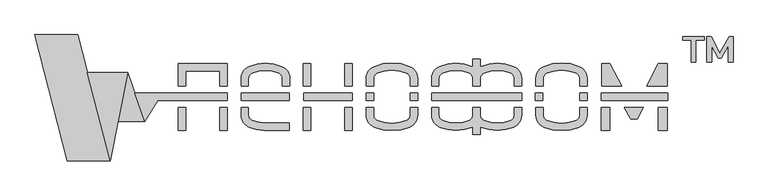
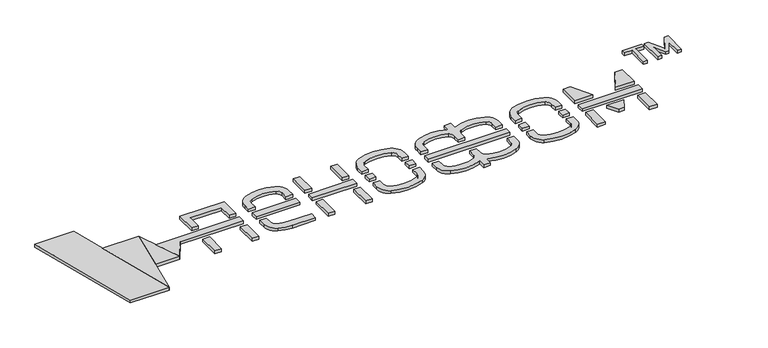
"""IFC4 building model written with IfcOpenShell, lengths in millimetres: proxy geometry."""

from ifc_helpers import new_model, si_unit, point, frame_2d, origin, origin_with_axes, place, context, project, spatial, polyline, circle_curve, trimmed, segment, composite_curve, outline, extrude, source, transform, mapped, element, save


def entourage_9eb286ca(model_context):
    return source(origin(), model_context, "Body", "SweptSolid", [
        extrude(outline(polyline([(-73026.0051729, -5303.3291284), (-72423.7090448, -5303.3291284), (-72685.3033262, -6627.0334954), (-73026.0051729, -5303.3291284)])), origin_with_axes(), (0.0, 0.0, 1.0), 50.0),
        extrude(outline(polyline([(-71971.825913, -5719.6015486), (-72165.8617463, -6034.64138), (-72315.7230019, -5609.6015486), (-70931.6170411, -5609.6015486), (-70931.6170411, -5719.6015486), (-71971.825913, -5719.6015486)])), origin_with_axes(), (0.0, 0.0, 1.0), 50.0),
        extrude(outline(polyline([(-69997.900283, -5609.6015486), (-69997.900283, -5719.6015486), (-70720.8664193, -5719.6015486), (-70720.8664193, -5609.6015486), (-69997.900283, -5609.6015486)])), origin_with_axes(), (0.0, 0.0, 1.0), 50.0),
        extrude(outline(polyline([(-69055.8780829, -5609.6015486), (-69055.8780829, -5719.6015486), (-69786.2079144, -5719.6015486), (-69786.2079144, -5609.6015486), (-69055.8780829, -5609.6015486)])), origin_with_axes(), (0.0, 0.0, 1.0), 50.0),
        extrude(outline(polyline([(-68736.7859868, -5609.6015486), (-68736.7859868, -5719.6015486), (-68849.3237069, -5719.6015486), (-68849.3237069, -5609.6015486), (-68736.7859868, -5609.6015486)])), origin_with_axes(), (0.0, 0.0, 1.0), 50.0),
        extrude(outline(polyline([(-68073.6286959, -5719.6015486), (-68183.8332873, -5719.6015486), (-68183.8332873, -5609.6015486), (-68073.6286959, -5609.6015486), (-68073.6286959, -5719.6015486)])), origin_with_axes(), (0.0, 0.0, 1.0), 50.0),
        extrude(outline(polyline([(-66517.0020622, -5609.6015486), (-66517.0020622, -5719.6015486), (-67867.0020622, -5719.6015486), (-67867.0020622, -5609.6015486), (-66517.0020622, -5609.6015486)])), origin_with_axes(), (0.0, 0.0, 1.0), 50.0),
        extrude(outline(polyline([(-66197.909966, -5609.6015486), (-66197.909966, -5719.6015486), (-66310.4476862, -5719.6015486), (-66310.4476862, -5609.6015486), (-66197.909966, -5609.6015486)])), origin_with_axes(), (0.0, 0.0, 1.0), 50.0),
        extrude(outline(polyline([(-65534.7526752, -5719.6015486), (-65644.9572665, -5719.6015486), (-65644.9572665, -5609.6015486), (-65534.7526752, -5609.6015486), (-65534.7526752, -5719.6015486)])), origin_with_axes(), (0.0, 0.0, 1.0), 50.0),
        extrude(outline(polyline([(-64325.9752551, -5609.6015486), (-64325.9752551, -5719.6015486), (-65321.0290177, -5719.6015486), (-65321.0290177, -5609.6015486), (-64325.9752551, -5609.6015486)])), origin_with_axes(), (0.0, 0.0, 1.0), 50.0),
        extrude(outline(polyline([(-73172.5886546, -4733.8188759), (-72685.3033262, -6627.0334954), (-73325.3033262, -6627.0334954), (-73812.5886546, -4733.8188759), (-73172.5886546, -4733.8188759)])), origin_with_axes(), (0.0, 0.0, 1.0), 50.0),
        extrude(outline(polyline([(-72565.8617463, -6034.64138), (-72423.7090448, -5303.3291284), (-72165.8617463, -6034.64138), (-72565.8617463, -6034.64138)])), origin_with_axes(), (0.0, 0.0, 1.0), 50.0),
        extrude(outline(polyline([(-71661.6170411, -5827.4090587), (-71551.6170411, -5827.4090587), (-71551.6170411, -6167.4090587), (-71661.6170411, -6167.4090587), (-71661.6170411, -5827.4090587)])), origin_with_axes(), (0.0, 0.0, 1.0), 50.0),
        extrude(outline(polyline([(-71041.6170411, -5827.4090587), (-70931.6170411, -5827.4090587), (-70931.6170411, -6167.4090587), (-71041.6170411, -6167.4090587), (-71041.6170411, -5827.4090587)])), origin_with_axes(), (0.0, 0.0, 1.0), 50.0),
        extrude(outline(polyline([(-71661.6170411, -5167.4090587), (-70931.6170411, -5167.4090587), (-70931.6170411, -5502.4090587), (-71041.6170411, -5502.4090587), (-71041.6170411, -5277.4090587), (-71551.6170411, -5277.4090587), (-71551.6170411, -5502.4090587), (-71661.6170411, -5502.4090587), (-71661.6170411, -5167.4090587)])), origin_with_axes(), (0.0, 0.0, 1.0), 50.0),
        extrude(outline(composite_curve([segment(polyline([(-69996.6170411, -6057.4090587), (-69996.6170411, -6167.4090587), (-70382.1092385, -6167.4090587)]), True, "CONTINUOUS"), segment(trimmed(circle_curve(frame_2d((-70363.4109484, -5544.3862793)), 623.3033048), [point((-70382.1092385, -6167.4090587))], [point((-70596.904476, -6122.3030399))], False, "CARTESIAN"), True, "CONTINUOUS"), segment(trimmed(circle_curve(frame_2d((-70522.2024586, -5937.4090587)), 199.4145825), [point((-70596.904476, -6122.3030399))], [point((-70721.6170411, -5937.4090587))], False, "CARTESIAN"), True, "CONTINUOUS"), segment(polyline([(-70721.6170411, -5937.4090587), (-70721.6170411, -5827.4090587), (-70611.6170411, -5827.4090587), (-70611.6170411, -5937.4090587)]), True, "CONTINUOUS"), segment(trimmed(circle_curve(frame_2d((-70522.2024586, -5937.4090587)), 89.4145825), [point((-70611.6170411, -5937.4090587))], [point((-70555.6977507, -6020.3128159))], True, "CARTESIAN"), True, "CONTINUOUS"), segment(trimmed(circle_curve(frame_2d((-70363.4109484, -5544.3862793)), 513.3033048), [point((-70555.6977507, -6020.3128159))], [point((-70380.3788734, -6057.4090587))], True, "CARTESIAN"), True, "CONTINUOUS"), segment(polyline([(-70380.3788734, -6057.4090587), (-69996.6170411, -6057.4090587)]), True, "CONTINUOUS")], self_intersect=False)), origin_with_axes(), (0.0, 0.0, 1.0), 50.0),
        extrude(outline(composite_curve([segment(polyline([(-70611.6170411, -5502.4090587), (-70721.6170411, -5502.4090587), (-70721.6170411, -5392.4090587)]), True, "CONTINUOUS"), segment(trimmed(circle_curve(frame_2d((-70522.2024586, -5392.4090587)), 199.4145825), [point((-70721.6170411, -5392.4090587))], [point((-70596.904476, -5207.5150774))], False, "CARTESIAN"), True, "CONTINUOUS"), segment(trimmed(circle_curve(frame_2d((-70356.6170411, -5802.2473487)), 641.4394171), [point((-70596.904476, -5207.5150774))], [point((-70116.3296062, -5207.5150774))], False, "CARTESIAN"), True, "CONTINUOUS"), segment(trimmed(circle_curve(frame_2d((-70191.0316236, -5392.4090587)), 199.4145825), [point((-70116.3296062, -5207.5150774))], [point((-69991.6170411, -5392.4090587))], False, "CARTESIAN"), True, "CONTINUOUS"), segment(polyline([(-69991.6170411, -5392.4090587), (-69991.6170411, -5502.4090587), (-70101.6170411, -5502.4090587), (-70101.6170411, -5392.4090587)]), True, "CONTINUOUS"), segment(trimmed(circle_curve(frame_2d((-70191.0316236, -5392.4090587)), 89.4145825), [point((-70101.6170411, -5392.4090587))], [point((-70157.5363314, -5309.5053014))], True, "CARTESIAN"), True, "CONTINUOUS"), segment(trimmed(circle_curve(frame_2d((-70356.6170411, -5802.2473487)), 531.4394171), [point((-70157.5363314, -5309.5053014))], [point((-70555.6977507, -5309.5053014))], True, "CARTESIAN"), True, "CONTINUOUS"), segment(trimmed(circle_curve(frame_2d((-70522.2024586, -5392.4090587)), 89.4145825), [point((-70555.6977507, -5309.5053014))], [point((-70611.6170411, -5392.4090587))], True, "CARTESIAN"), True, "CONTINUOUS"), segment(polyline([(-70611.6170411, -5392.4090587), (-70611.6170411, -5502.4090587)]), True, "CONTINUOUS")], self_intersect=False)), origin_with_axes(), (0.0, 0.0, 1.0), 50.0),
        extrude(outline(polyline([(-69786.6170411, -5827.4090587), (-69676.6170411, -5827.4090587), (-69676.6170411, -6167.4090587), (-69786.6170411, -6167.4090587), (-69786.6170411, -5827.4090587)])), origin_with_axes(), (0.0, 0.0, 1.0), 50.0),
        extrude(outline(polyline([(-69166.6170411, -5827.4090587), (-69056.6170411, -5827.4090587), (-69056.6170411, -6167.4090587), (-69166.6170411, -6167.4090587), (-69166.6170411, -5827.4090587)])), origin_with_axes(), (0.0, 0.0, 1.0), 50.0),
        extrude(outline(polyline([(-69786.6170411, -5167.4090587), (-69676.6170411, -5167.4090587), (-69676.6170411, -5502.4090587), (-69786.6170411, -5502.4090587), (-69786.6170411, -5167.4090587)])), origin_with_axes(), (0.0, 0.0, 1.0), 50.0),
        extrude(outline(polyline([(-69056.6170411, -5502.4090587), (-69166.6170411, -5502.4090587), (-69166.6170411, -5167.4090587), (-69056.6170411, -5167.4090587), (-69056.6170411, -5502.4090587)])), origin_with_axes(), (0.0, 0.0, 1.0), 50.0),
        extrude(outline(composite_curve([segment(polyline([(-68736.6170411, -5502.4090587), (-68846.6170411, -5502.4090587), (-68846.6170411, -5392.4090587)]), True, "CONTINUOUS"), segment(trimmed(circle_curve(frame_2d((-68647.2024586, -5392.4090587)), 199.4145825), [point((-68846.6170411, -5392.4090587))], [point((-68721.904476, -5207.5150774))], False, "CARTESIAN"), True, "CONTINUOUS"), segment(trimmed(circle_curve(frame_2d((-68461.6170411, -5851.7490857)), 694.8287604), [point((-68721.904476, -5207.5150774))], [point((-68201.3296062, -5207.5150774))], False, "CARTESIAN"), True, "CONTINUOUS"), segment(trimmed(circle_curve(frame_2d((-68276.0316236, -5392.4090587)), 199.4145825), [point((-68201.3296062, -5207.5150774))], [point((-68076.6170411, -5392.4090587))], False, "CARTESIAN"), True, "CONTINUOUS"), segment(polyline([(-68076.6170411, -5392.4090587), (-68076.6170411, -5502.4090587), (-68186.6170411, -5502.4090587), (-68186.6170411, -5392.4090587)]), True, "CONTINUOUS"), segment(trimmed(circle_curve(frame_2d((-68276.0316236, -5392.4090587)), 89.4145825), [point((-68186.6170411, -5392.4090587))], [point((-68242.5363314, -5309.5053014))], True, "CARTESIAN"), True, "CONTINUOUS"), segment(trimmed(circle_curve(frame_2d((-68461.6170411, -5851.7490857)), 584.8287604), [point((-68242.5363314, -5309.5053014))], [point((-68680.6977507, -5309.5053014))], True, "CARTESIAN"), True, "CONTINUOUS"), segment(trimmed(circle_curve(frame_2d((-68647.2024586, -5392.4090587)), 89.4145825), [point((-68680.6977507, -5309.5053014))], [point((-68736.6170411, -5392.4090587))], True, "CARTESIAN"), True, "CONTINUOUS"), segment(polyline([(-68736.6170411, -5392.4090587), (-68736.6170411, -5502.4090587)]), True, "CONTINUOUS")], self_intersect=False)), origin_with_axes(), (0.0, 0.0, 1.0), 50.0),
        extrude(outline(composite_curve([segment(polyline([(-68736.6170411, -5827.4090587), (-68736.6170411, -5937.4090587)]), True, "CONTINUOUS"), segment(trimmed(circle_curve(frame_2d((-68647.2024586, -5937.4090587)), 89.4145825), [point((-68736.6170411, -5937.4090587))], [point((-68680.6977507, -6020.3128159))], True, "CARTESIAN"), True, "CONTINUOUS"), segment(trimmed(circle_curve(frame_2d((-68461.6170411, -5478.0690316)), 584.8287604), [point((-68680.6977507, -6020.3128159))], [point((-68242.5363314, -6020.3128159))], True, "CARTESIAN"), True, "CONTINUOUS"), segment(trimmed(circle_curve(frame_2d((-68276.0316236, -5937.4090587)), 89.4145825), [point((-68242.5363314, -6020.3128159))], [point((-68186.6170411, -5937.4090587))], True, "CARTESIAN"), True, "CONTINUOUS"), segment(polyline([(-68186.6170411, -5937.4090587), (-68186.6170411, -5827.4090587), (-68076.6170411, -5827.4090587), (-68076.6170411, -5937.4090587)]), True, "CONTINUOUS"), segment(trimmed(circle_curve(frame_2d((-68276.0316236, -5937.4090587)), 199.4145825), [point((-68076.6170411, -5937.4090587))], [point((-68201.3296062, -6122.3030399))], False, "CARTESIAN"), True, "CONTINUOUS"), segment(trimmed(circle_curve(frame_2d((-68461.6170411, -5478.0690316)), 694.8287604), [point((-68201.3296062, -6122.3030399))], [point((-68721.904476, -6122.3030399))], False, "CARTESIAN"), True, "CONTINUOUS"), segment(trimmed(circle_curve(frame_2d((-68647.2024586, -5937.4090587)), 199.4145825), [point((-68721.904476, -6122.3030399))], [point((-68846.6170411, -5937.4090587))], False, "CARTESIAN"), True, "CONTINUOUS"), segment(polyline([(-68846.6170411, -5937.4090587), (-68846.6170411, -5827.4090587), (-68736.6170411, -5827.4090587)]), True, "CONTINUOUS")], self_intersect=False)), origin_with_axes(), (0.0, 0.0, 1.0), 50.0),
        extrude(outline(composite_curve([segment(polyline([(-66194.1170411, -5502.4090587), (-66304.1170411, -5502.4090587), (-66304.1170411, -5392.4090587)]), True, "CONTINUOUS"), segment(trimmed(circle_curve(frame_2d((-66104.7024586, -5392.4090587)), 199.4145825), [point((-66304.1170411, -5392.4090587))], [point((-66179.404476, -5207.5150774))], False, "CARTESIAN"), True, "CONTINUOUS"), segment(trimmed(circle_curve(frame_2d((-65919.1170411, -5851.7490857)), 694.8287604), [point((-66179.404476, -5207.5150774))], [point((-65658.8296062, -5207.5150774))], False, "CARTESIAN"), True, "CONTINUOUS"), segment(trimmed(circle_curve(frame_2d((-65733.5316236, -5392.4090587)), 199.4145825), [point((-65658.8296062, -5207.5150774))], [point((-65534.1170411, -5392.4090587))], False, "CARTESIAN"), True, "CONTINUOUS"), segment(polyline([(-65534.1170411, -5392.4090587), (-65534.1170411, -5502.4090587), (-65644.1170411, -5502.4090587), (-65644.1170411, -5392.4090587)]), True, "CONTINUOUS"), segment(trimmed(circle_curve(frame_2d((-65733.5316236, -5392.4090587)), 89.4145825), [point((-65644.1170411, -5392.4090587))], [point((-65700.0363314, -5309.5053014))], True, "CARTESIAN"), True, "CONTINUOUS"), segment(trimmed(circle_curve(frame_2d((-65919.1170411, -5851.7490857)), 584.8287604), [point((-65700.0363314, -5309.5053014))], [point((-66138.1977507, -5309.5053014))], True, "CARTESIAN"), True, "CONTINUOUS"), segment(trimmed(circle_curve(frame_2d((-66104.7024586, -5392.4090587)), 89.4145825), [point((-66138.1977507, -5309.5053014))], [point((-66194.1170411, -5392.4090587))], True, "CARTESIAN"), True, "CONTINUOUS"), segment(polyline([(-66194.1170411, -5392.4090587), (-66194.1170411, -5502.4090587)]), True, "CONTINUOUS")], self_intersect=False)), origin_with_axes(), (0.0, 0.0, 1.0), 50.0),
        extrude(outline(composite_curve([segment(polyline([(-66194.1170411, -5827.4090587), (-66194.1170411, -5937.4090587)]), True, "CONTINUOUS"), segment(trimmed(circle_curve(frame_2d((-66104.7024586, -5937.4090587)), 89.4145825), [point((-66194.1170411, -5937.4090587))], [point((-66138.1977507, -6020.3128159))], True, "CARTESIAN"), True, "CONTINUOUS"), segment(trimmed(circle_curve(frame_2d((-65919.1170411, -5478.0690316)), 584.8287604), [point((-66138.1977507, -6020.3128159))], [point((-65700.0363314, -6020.3128159))], True, "CARTESIAN"), True, "CONTINUOUS"), segment(trimmed(circle_curve(frame_2d((-65733.5316236, -5937.4090587)), 89.4145825), [point((-65700.0363314, -6020.3128159))], [point((-65644.1170411, -5937.4090587))], True, "CARTESIAN"), True, "CONTINUOUS"), segment(polyline([(-65644.1170411, -5937.4090587), (-65644.1170411, -5827.4090587), (-65534.1170411, -5827.4090587), (-65534.1170411, -5937.4090587)]), True, "CONTINUOUS"), segment(trimmed(circle_curve(frame_2d((-65733.5316236, -5937.4090587)), 199.4145825), [point((-65534.1170411, -5937.4090587))], [point((-65658.8296062, -6122.3030399))], False, "CARTESIAN"), True, "CONTINUOUS"), segment(trimmed(circle_curve(frame_2d((-65919.1170411, -5478.0690316)), 694.8287604), [point((-65658.8296062, -6122.3030399))], [point((-66179.404476, -6122.3030399))], False, "CARTESIAN"), True, "CONTINUOUS"), segment(trimmed(circle_curve(frame_2d((-66104.7024586, -5937.4090587)), 199.4145825), [point((-66179.404476, -6122.3030399))], [point((-66304.1170411, -5937.4090587))], False, "CARTESIAN"), True, "CONTINUOUS"), segment(polyline([(-66304.1170411, -5937.4090587), (-66304.1170411, -5827.4090587), (-66194.1170411, -5827.4090587)]), True, "CONTINUOUS")], self_intersect=False)), origin_with_axes(), (0.0, 0.0, 1.0), 50.0),
        extrude(outline(composite_curve([segment(polyline([(-67756.6170411, -5502.4090587), (-67866.6170411, -5502.4090587), (-67866.6170411, -5392.4090587)]), True, "CONTINUOUS"), segment(trimmed(circle_curve(frame_2d((-67667.2024586, -5392.4090587)), 199.4145825), [point((-67866.6170411, -5392.4090587))], [point((-67741.904476, -5207.5150774))], False, "CARTESIAN"), True, "CONTINUOUS"), segment(trimmed(circle_curve(frame_2d((-67501.6170411, -5802.2473487)), 641.4394171), [point((-67741.904476, -5207.5150774))], [point((-67261.3296062, -5207.5150774))], False, "CARTESIAN"), True, "CONTINUOUS"), segment(trimmed(circle_curve(frame_2d((-67336.0316236, -5392.4090587)), 199.4145825), [point((-67261.3296062, -5207.5150774))], [point((-67246.6170411, -5214.1642603))], False, "CARTESIAN"), True, "CONTINUOUS"), segment(polyline([(-67246.6170411, -5214.1642603), (-67246.6170411, -5099.1642603), (-67136.6170411, -5099.1642603), (-67136.6170411, -5214.1642603)]), True, "CONTINUOUS"), segment(trimmed(circle_curve(frame_2d((-67047.2024586, -5392.4090587)), 199.4145825), [point((-67136.6170411, -5214.1642603))], [point((-67121.904476, -5207.5150774))], False, "CARTESIAN"), True, "CONTINUOUS"), segment(trimmed(circle_curve(frame_2d((-66881.6170411, -5802.2473487)), 641.4394171), [point((-67121.904476, -5207.5150774))], [point((-66641.3296062, -5207.5150774))], False, "CARTESIAN"), True, "CONTINUOUS"), segment(trimmed(circle_curve(frame_2d((-66716.0316236, -5392.4090587)), 199.4145825), [point((-66641.3296062, -5207.5150774))], [point((-66516.6170411, -5392.4090587))], False, "CARTESIAN"), True, "CONTINUOUS"), segment(polyline([(-66516.6170411, -5392.4090587), (-66516.6170411, -5502.4090587), (-66626.6170411, -5502.4090587), (-66626.6170411, -5392.4090587)]), True, "CONTINUOUS"), segment(trimmed(circle_curve(frame_2d((-66716.0316236, -5392.4090587)), 89.4145825), [point((-66626.6170411, -5392.4090587))], [point((-66682.5363314, -5309.5053014))], True, "CARTESIAN"), True, "CONTINUOUS"), segment(trimmed(circle_curve(frame_2d((-66881.6170411, -5802.2473487)), 531.4394171), [point((-66682.5363314, -5309.5053014))], [point((-67080.6977507, -5309.5053014))], True, "CARTESIAN"), True, "CONTINUOUS"), segment(trimmed(circle_curve(frame_2d((-67047.2024586, -5392.4090587)), 89.4145825), [point((-67080.6977507, -5309.5053014))], [point((-67136.6170411, -5392.4090587))], True, "CARTESIAN"), True, "CONTINUOUS"), segment(polyline([(-67136.6170411, -5392.4090587), (-67136.6170411, -5502.4090587), (-67246.6170411, -5502.4090587), (-67246.6170411, -5392.4090587)]), True, "CONTINUOUS"), segment(trimmed(circle_curve(frame_2d((-67336.0316236, -5392.4090587)), 89.4145825), [point((-67246.6170411, -5392.4090587))], [point((-67302.5363314, -5309.5053014))], True, "CARTESIAN"), True, "CONTINUOUS"), segment(trimmed(circle_curve(frame_2d((-67501.6170411, -5802.2473487)), 531.4394171), [point((-67302.5363314, -5309.5053014))], [point((-67700.6977507, -5309.5053014))], True, "CARTESIAN"), True, "CONTINUOUS"), segment(trimmed(circle_curve(frame_2d((-67667.2024586, -5392.4090587)), 89.4145825), [point((-67700.6977507, -5309.5053014))], [point((-67756.6170411, -5392.4090587))], True, "CARTESIAN"), True, "CONTINUOUS"), segment(polyline([(-67756.6170411, -5392.4090587), (-67756.6170411, -5502.4090587)]), True, "CONTINUOUS")], self_intersect=False)), origin_with_axes(), (0.0, 0.0, 1.0), 50.0),
        extrude(outline(composite_curve([segment(polyline([(-67756.6170411, -5827.4090587), (-67756.6170411, -5937.4090587)]), True, "CONTINUOUS"), segment(trimmed(circle_curve(frame_2d((-67667.2024586, -5937.4090587)), 89.4145825), [point((-67756.6170411, -5937.4090587))], [point((-67700.6977507, -6020.3128159))], True, "CARTESIAN"), True, "CONTINUOUS"), segment(trimmed(circle_curve(frame_2d((-67501.6170411, -5527.5707687)), 531.4394171), [point((-67700.6977507, -6020.3128159))], [point((-67302.5363314, -6020.3128159))], True, "CARTESIAN"), True, "CONTINUOUS"), segment(trimmed(circle_curve(frame_2d((-67336.0316236, -5937.4090587)), 89.4145825), [point((-67302.5363314, -6020.3128159))], [point((-67246.6170411, -5937.4090587))], True, "CARTESIAN"), True, "CONTINUOUS"), segment(polyline([(-67246.6170411, -5937.4090587), (-67246.6170411, -5827.4090587), (-67136.6170411, -5827.4090587), (-67136.6170411, -5937.4090587)]), True, "CONTINUOUS"), segment(trimmed(circle_curve(frame_2d((-67047.2024586, -5937.4090587)), 89.4145825), [point((-67136.6170411, -5937.4090587))], [point((-67080.6977507, -6020.3128159))], True, "CARTESIAN"), True, "CONTINUOUS"), segment(trimmed(circle_curve(frame_2d((-66881.6170411, -5527.5707687)), 531.4394171), [point((-67080.6977507, -6020.3128159))], [point((-66682.5363314, -6020.3128159))], True, "CARTESIAN"), True, "CONTINUOUS"), segment(trimmed(circle_curve(frame_2d((-66716.0316236, -5937.4090587)), 89.4145825), [point((-66682.5363314, -6020.3128159))], [point((-66626.6170411, -5937.4090587))], True, "CARTESIAN"), True, "CONTINUOUS"), segment(polyline([(-66626.6170411, -5937.4090587), (-66626.6170411, -5827.4090587), (-66516.6170411, -5827.4090587), (-66516.6170411, -5937.4090587)]), True, "CONTINUOUS"), segment(trimmed(circle_curve(frame_2d((-66716.0316236, -5937.4090587)), 199.4145825), [point((-66516.6170411, -5937.4090587))], [point((-66641.3296062, -6122.3030399))], False, "CARTESIAN"), True, "CONTINUOUS"), segment(trimmed(circle_curve(frame_2d((-66881.6170411, -5527.5707687)), 641.4394171), [point((-66641.3296062, -6122.3030399))], [point((-67121.904476, -6122.3030399))], False, "CARTESIAN"), True, "CONTINUOUS"), segment(trimmed(circle_curve(frame_2d((-67047.2024586, -5937.4090587)), 199.4145825), [point((-67121.904476, -6122.3030399))], [point((-67136.6170411, -6115.6538571))], False, "CARTESIAN"), True, "CONTINUOUS"), segment(polyline([(-67136.6170411, -6115.6538571), (-67136.6170411, -6230.6538571), (-67246.6170411, -6230.6538571), (-67246.6170411, -6115.6538571)]), True, "CONTINUOUS"), segment(trimmed(circle_curve(frame_2d((-67336.0316236, -5937.4090587)), 199.4145825), [point((-67246.6170411, -6115.6538571))], [point((-67261.3296062, -6122.3030399))], False, "CARTESIAN"), True, "CONTINUOUS"), segment(trimmed(circle_curve(frame_2d((-67501.6170411, -5527.5707687)), 641.4394171), [point((-67261.3296062, -6122.3030399))], [point((-67741.904476, -6122.3030399))], False, "CARTESIAN"), True, "CONTINUOUS"), segment(trimmed(circle_curve(frame_2d((-67667.2024586, -5937.4090587)), 199.4145825), [point((-67741.904476, -6122.3030399))], [point((-67866.6170411, -5937.4090587))], False, "CARTESIAN"), True, "CONTINUOUS"), segment(polyline([(-67866.6170411, -5937.4090587), (-67866.6170411, -5827.4090587), (-67756.6170411, -5827.4090587)]), True, "CONTINUOUS")], self_intersect=False)), origin_with_axes(), (0.0, 0.0, 1.0), 50.0),
        extrude(outline(polyline([(-65326.6170411, -5827.4090587), (-65196.6170411, -5827.4090587), (-65196.6170411, -6167.4090587), (-65326.6170411, -6167.4090587), (-65326.6170411, -5827.4090587)])), origin_with_axes(), (0.0, 0.0, 1.0), 50.0),
        extrude(outline(polyline([(-64466.6170411, -5827.4090587), (-64336.6170411, -5827.4090587), (-64336.6170411, -6167.4090587), (-64466.6170411, -6167.4090587), (-64466.6170411, -5827.4090587)])), origin_with_axes(), (0.0, 0.0, 1.0), 50.0),
        extrude(outline(polyline([(-65318.4935719, -5167.4090587), (-65196.6170411, -5167.4090587), (-65018.4943815, -5502.4090587), (-65318.4935719, -5502.4090587), (-65318.4935719, -5167.4090587)])), origin_with_axes(), (0.0, 0.0, 1.0), 50.0),
        extrude(outline(polyline([(-64336.6170411, -5167.4090587), (-64336.6170411, -5502.4090587), (-64644.7397007, -5502.4090587), (-64466.6170411, -5167.4090587), (-64336.6170411, -5167.4090587)])), origin_with_axes(), (0.0, 0.0, 1.0), 50.0),
        extrude(outline(polyline([(-64691.6170411, -5827.4090587), (-64783.1639958, -5999.5838393), (-64878.1639958, -5999.5838393), (-64976.6170411, -5827.4090587), (-64691.6170411, -5827.4090587)])), origin_with_axes(), (0.0, 0.0, 1.0), 50.0),
        extrude(outline(polyline([(-64103.7160037, -4760.7827438), (-63778.7160037, -4760.7827438), (-63778.7160037, -4815.7827438), (-63908.7160037, -4815.7827438), (-63908.7160037, -5140.7827438), (-63973.7160037, -5140.7827438), (-63973.7160037, -4815.7827438), (-64103.7160037, -4815.7827438), (-64103.7160037, -4760.7827438)])), origin_with_axes(), (0.0, 0.0, 1.0), 50.0),
        extrude(outline(polyline([(-63738.7160037, -5140.7827438), (-63738.7160037, -4760.7827438), (-63677.5381843, -4760.7827438), (-63545.0007733, -5010.0493603), (-63406.8300315, -4760.7827438), (-63346.8300315, -4760.7827438), (-63346.8300315, -5140.7827438), (-63416.8300315, -5140.7827438), (-63416.8300315, -4898.8843219), (-63524.3300315, -5085.0797838), (-63569.3300315, -5085.0797838), (-63668.7160037, -4905.7827438), (-63668.7160037, -5140.7827438), (-63738.7160037, -5140.7827438)])), origin_with_axes(), (0.0, 0.0, 1.0), 50.0),
    ])


if __name__ == "__main__":
    model = new_model("IFC4")
    model_context = context("Model", 3, world=origin())
    ifc_project = project(units=[si_unit("LENGTHUNIT", "METRE", prefix="MILLI")], contexts=[model_context])
    site = spatial("IfcSite", under=ifc_project)
    building = spatial("IfcBuilding", under=site)
    placement = place(None, origin())
    entourage_shape = entourage_9eb286ca(model_context)
    element("IfcBuildingElementProxy", 1, Name="Entourage", at=placement, inside=building, context=model_context, shape_type="MappedRepresentation", body=[
        mapped(entourage_shape, transform((0.0, 0.0, 0.0), x_axis=(1.0, 0.0, 0.0), y_axis=(0.0, 1.0, 0.0), z_axis=(0.0, 0.0, 1.0))),
    ])
    save(model, "model.ifc")
